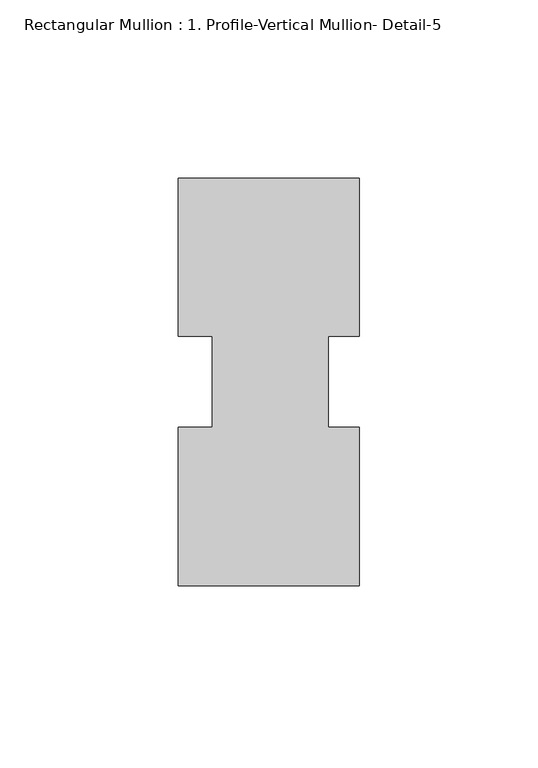
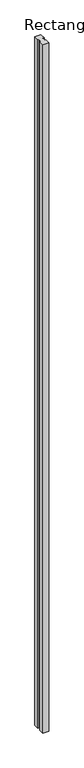
"""IFC4 building model written with IfcOpenShell, lengths in millimetres: member geometry, Rectangular Mullion : 1. Profile-Vertical Mullion- Detail-5."""

from ifc_helpers import new_model, si_unit, frame, origin, place, context, project, spatial, polyline, outline, extrude, source, transform, mapped, element, save


def rectangular_mullion_1_profile_vertical_mullion_detail_5_c67d6f39(model_context):
    return source(origin(), model_context, "Body", "SweptSolid", [
        extrude(outline(polyline([(25.4, 57.1500444), (25.4, 12.7938544), (16.66875, 12.7938544), (16.66875, -12.693844), (25.4, -12.693844), (25.4, -57.1499556), (-25.4, -57.149854), (-25.4, -12.693844), (-15.875, -12.693844), (-15.875, 12.7938544), (-25.4, 12.7938544), (-25.4, 57.150146), (25.4, 57.1500444)])), frame((0.0, 0.0, -6096.0), z_axis=(0.0, 0.0, 1.0), x_axis=(1.0, 0.0, 0.0)), (0.0, 0.0, 1.0), 6096.0),
    ])


if __name__ == "__main__":
    model = new_model("IFC4")
    model_context = context("Model", 3, world=origin())
    ifc_project = project(units=[si_unit("LENGTHUNIT", "METRE", prefix="MILLI")], contexts=[model_context])
    site = spatial("IfcSite", under=ifc_project)
    building = spatial("IfcBuilding", under=site)
    placement = place(None, origin())
    rectangular_mullion_1_profile_vertical_mullion_detail_5_shape = rectangular_mullion_1_profile_vertical_mullion_detail_5_c67d6f39(model_context)
    element("IfcMember", 1, ObjectType="Rectangular Mullion : 1. Profile-Vertical Mullion- Detail-5", at=placement, inside=building, context=model_context, shape_type="MappedRepresentation", body=[
        mapped(rectangular_mullion_1_profile_vertical_mullion_detail_5_shape, transform((0.0, 0.0, 0.0), x_axis=(1.0, 0.0, 0.0), y_axis=(0.0, 1.0, 0.0), z_axis=(0.0, 0.0, 1.0))),
    ])
    save(model, "model.ifc")
